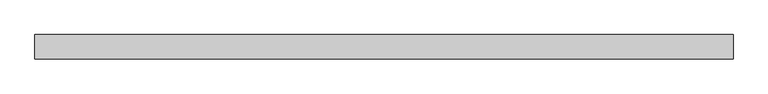
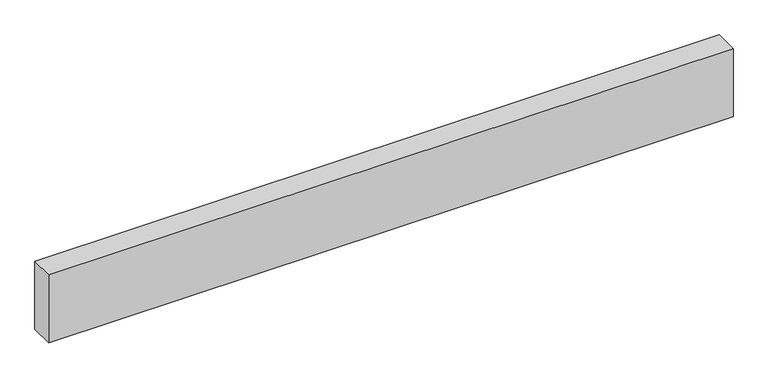
"""IFC4 building model written with IfcOpenShell, lengths in millimetres: proxy geometry."""

from ifc_helpers import new_model, si_unit, origin, origin_with_axes, place, context, project, spatial, polyline, outline, extrude, source, transform, mapped, element, save


def generic_models_257fb715(model_context):
    return source(origin(), model_context, "Body", "SweptSolid", [
        extrude(outline(polyline([(2847.6899227, 0.0), (2847.6899227, -100.0), (0.0, -100.0), (0.0, 0.0), (2847.6899227, 0.0)])), origin_with_axes(), (0.0, 0.0, 1.0), 300.0),
    ])


if __name__ == "__main__":
    model = new_model("IFC4")
    model_context = context("Model", 3, world=origin())
    ifc_project = project(units=[si_unit("LENGTHUNIT", "METRE", prefix="MILLI")], contexts=[model_context])
    site = spatial("IfcSite", under=ifc_project)
    building = spatial("IfcBuilding", under=site)
    placement = place(None, origin())
    generic_models_shape = generic_models_257fb715(model_context)
    element("IfcBuildingElementProxy", 1, Name="Generic Models", at=placement, inside=building, context=model_context, shape_type="MappedRepresentation", body=[
        mapped(generic_models_shape, transform((0.0, 0.0, 0.0), x_axis=(1.0, 0.0, 0.0), y_axis=(0.0, 1.0, 0.0), z_axis=(0.0, 0.0, 1.0))),
    ])
    save(model, "model.ifc")
